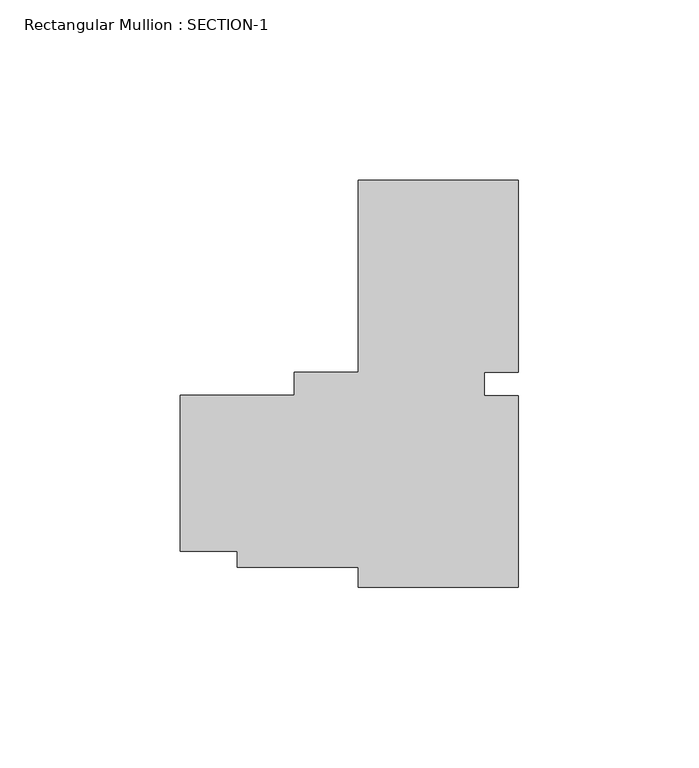
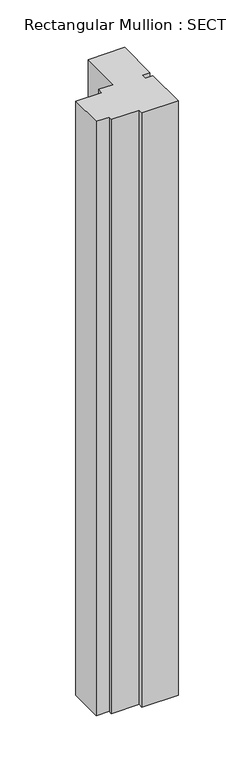
"""IFC4 building model written with IfcOpenShell, lengths in millimetres: member geometry, Rectangular Mullion : SECTION-1."""

from ifc_helpers import new_model, si_unit, frame, origin, place, context, project, spatial, polyline, outline, extrude, source, transform, mapped, element, save


def rectangular_mullion_section_1_74299694(model_context):
    return source(origin(), model_context, "Body", "SweptSolid", [
        extrude(outline(polyline([(-31.6909057, 58.4898177), (12.7590943, 58.4898177), (12.7590943, 5.1202731), (3.2340943, 5.1202731), (3.2340943, -1.3199653), (12.7590943, -1.3199653), (12.7590943, -54.5871723), (-31.6909057, -54.5871723), (-31.6909057, -48.9310486), (-65.2951057, -48.9310486), (-65.2951057, -44.4797621), (-81.1701057, -44.4797621), (-81.1701057, -1.3060486), (-49.4201057, -1.3060486), (-49.4201057, 5.137927), (-31.6909057, 5.137927), (-31.6909057, 58.4898177)])), frame((0.0, 0.0, -764.9541979), z_axis=(0.0, 0.0, 1.0), x_axis=(1.0, 0.0, 0.0)), (0.0, 0.0, 1.0), 764.9541979),
    ])


if __name__ == "__main__":
    model = new_model("IFC4")
    model_context = context("Model", 3, world=origin())
    ifc_project = project(units=[si_unit("LENGTHUNIT", "METRE", prefix="MILLI")], contexts=[model_context])
    site = spatial("IfcSite", under=ifc_project)
    building = spatial("IfcBuilding", under=site)
    placement = place(None, origin())
    rectangular_mullion_section_1_shape = rectangular_mullion_section_1_74299694(model_context)
    element("IfcMember", 1, ObjectType="Rectangular Mullion : SECTION-1", at=placement, inside=building, context=model_context, shape_type="MappedRepresentation", body=[
        mapped(rectangular_mullion_section_1_shape, transform((0.0, 0.0, 0.0), x_axis=(1.0, 0.0, 0.0), y_axis=(0.0, 1.0, 0.0), z_axis=(0.0, 0.0, 1.0))),
    ])
    save(model, "model.ifc")
